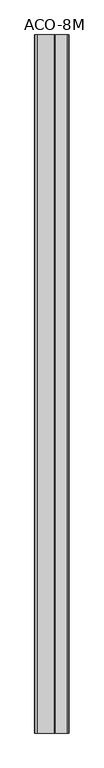
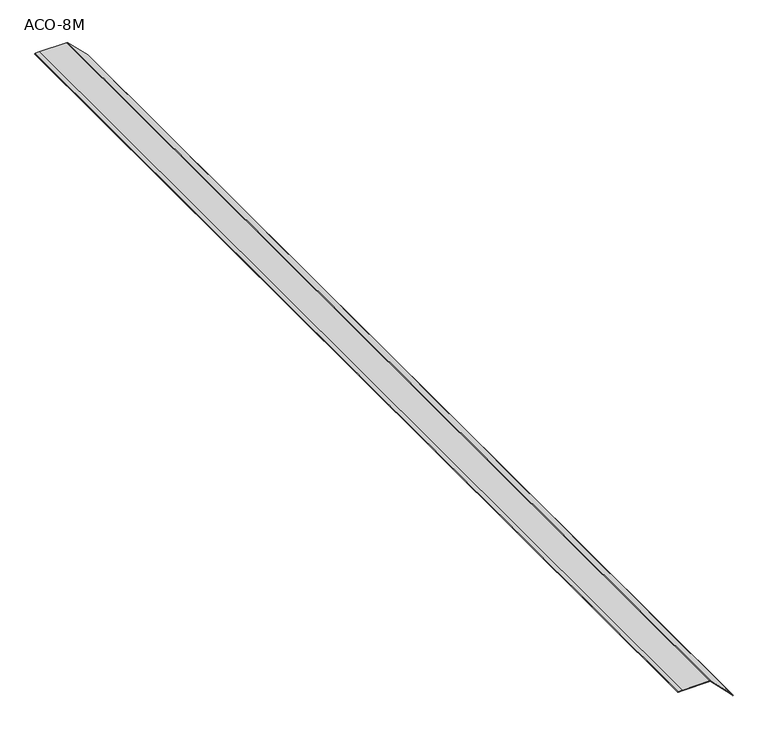
"""IFC4 building model written with IfcOpenShell, lengths in millimetres: proxy geometry, ACO-8M."""

from ifc_helpers import new_model, si_unit, point, frame, frame_2d, origin, place, context, project, spatial, polyline, circle_curve, trimmed, segment, composite_curve, outline, extrude, source, transform, mapped, element, save


def aco_8m_c9d1116b(model_context):
    return source(origin(), model_context, "Body", "SweptSolid", [
        extrude(outline(composite_curve([segment(polyline([(2.6587959, -76.0302961), (1.5652055, -86.4740847)]), True, "CONTINUOUS"), segment(trimmed(circle_curve(frame_2d((1.0035895, -86.5937654)), 0.5742265), [point((1.5652055, -86.4740847))], [point((1.0633152, -87.1648774))], False, "CARTESIAN"), True, "CONTINUOUS"), segment(polyline([(1.0633152, -87.1648774), (0.0, -87.0129752), (1.131403, -75.9737141), (1.131403, 0.451536), (-52.7383539, 54.3788883), (-61.363474, 61.372229), (-60.7147453, 62.2987096)]), True, "CONTINUOUS"), segment(trimmed(circle_curve(frame_2d((-60.5070525, 61.2175205)), 1.1009569), [point((-60.7147453, 62.2987096))], [point((-59.8136677, 62.0726951))], False, "CARTESIAN"), True, "CONTINUOUS"), segment(polyline([(-59.8136677, 62.0726951), (-51.755066, 55.5386937), (1.3588529, 2.4247748)]), True, "CONTINUOUS"), segment(trimmed(circle_curve(frame_2d((-1.7832813, -0.7173594)), 4.4436488), [point((1.3588529, 2.4247748))], [point((2.6587959, -0.8355321))], False, "CARTESIAN"), True, "CONTINUOUS"), segment(polyline([(2.6587959, -0.8355321), (2.6587959, -76.0302961)]), True, "CONTINUOUS")], self_intersect=False)), frame((0.0, -1141.4125, 0.0), z_axis=(0.0, 1.0, 0.0), x_axis=(0.0, 0.0, 1.0)), (0.0, 0.0, 1.0), 3021.0125),
    ])


if __name__ == "__main__":
    model = new_model("IFC4")
    model_context = context("Model", 3, world=origin())
    ifc_project = project(units=[si_unit("LENGTHUNIT", "METRE", prefix="MILLI")], contexts=[model_context])
    site = spatial("IfcSite", under=ifc_project)
    building = spatial("IfcBuilding", under=site)
    placement = place(None, origin())
    aco_8m_shape = aco_8m_c9d1116b(model_context)
    element("IfcBuildingElementProxy", 1, Name="ACO-8M", ObjectType="ACO-8M", at=placement, inside=building, context=model_context, shape_type="MappedRepresentation", body=[
        mapped(aco_8m_shape, transform((0.0, 0.0, 0.0), x_axis=(1.0, 0.0, 0.0), y_axis=(0.0, 1.0, 0.0), z_axis=(0.0, 0.0, 1.0))),
    ])
    save(model, "model.ifc")
